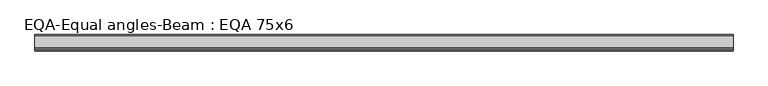
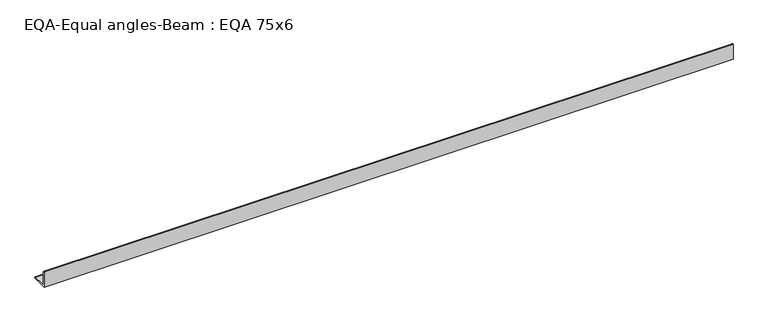
"""IFC4 building model written with IfcOpenShell, lengths in millimetres: beam geometry, EQA-Equal angles-Beam : EQA 75x6."""

from ifc_helpers import new_model, si_unit, point, frame, frame_2d, origin, place, context, project, spatial, polyline, circle_curve, trimmed, segment, composite_curve, outline, extrude, source, transform, mapped, element, save


def eqa_equal_angles_beam_eqa_75x6_4f6bd294(model_context):
    return source(origin(), model_context, "Body", "SweptSolid", [
        extrude(outline(composite_curve([segment(polyline([(-20.5, -20.5), (-20.5, 54.5), (-19.0, 54.5)]), True, "CONTINUOUS"), segment(trimmed(circle_curve(frame_2d((-19.0, 50.0)), 4.5), [point((-19.0, 54.5))], [point((-14.5, 50.0))], False, "CARTESIAN"), True, "CONTINUOUS"), segment(polyline([(-14.5, 50.0), (-14.5, -5.5)]), True, "CONTINUOUS"), segment(trimmed(circle_curve(frame_2d((-5.5, -5.5)), 9.0), [point((-14.5, -5.5))], [point((-5.5, -14.5))], True, "CARTESIAN"), True, "CONTINUOUS"), segment(polyline([(-5.5, -14.5), (50.0, -14.5)]), True, "CONTINUOUS"), segment(trimmed(circle_curve(frame_2d((50.0, -19.0)), 4.5), [point((50.0, -14.5))], [point((54.5, -19.0))], False, "CARTESIAN"), True, "CONTINUOUS"), segment(polyline([(54.5, -19.0), (54.5, -20.5), (-20.5, -20.5)]), True, "CONTINUOUS")], self_intersect=False)), frame((-1665.8068718, 0.0, 0.0), z_axis=(1.0, 0.0, 0.0), x_axis=(0.0, 1.0, 0.0)), (0.0, 0.0, 1.0), 3204.9495364),
    ])


if __name__ == "__main__":
    model = new_model("IFC4")
    model_context = context("Model", 3, world=origin())
    ifc_project = project(units=[si_unit("LENGTHUNIT", "METRE", prefix="MILLI")], contexts=[model_context])
    site = spatial("IfcSite", under=ifc_project)
    building = spatial("IfcBuilding", under=site)
    placement = place(None, origin())
    eqa_equal_angles_beam_eqa_75x6_shape = eqa_equal_angles_beam_eqa_75x6_4f6bd294(model_context)
    element("IfcBeam", 1, ObjectType="EQA-Equal angles-Beam : EQA 75x6", at=placement, inside=building, context=model_context, shape_type="MappedRepresentation", body=[
        mapped(eqa_equal_angles_beam_eqa_75x6_shape, transform((0.0, 0.0, 0.0), x_axis=(1.0, 0.0, 0.0), y_axis=(0.0, 1.0, 0.0), z_axis=(0.0, 0.0, 1.0))),
    ])
    save(model, "model.ifc")
